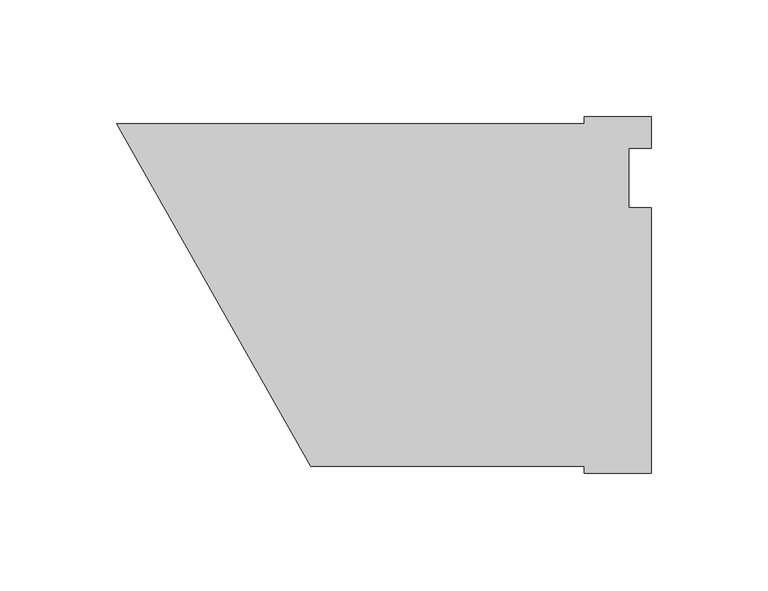
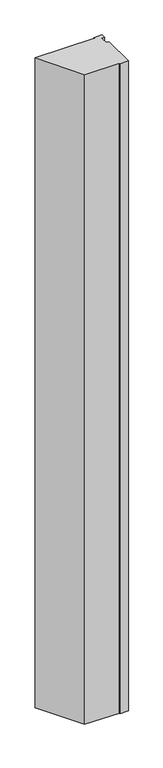
"""IFC4 building model written with IfcOpenShell, lengths in millimetres: proxy geometry."""

from ifc_helpers import new_model, si_unit, frame, origin, place, context, project, spatial, polyline, outline, extrude, source, transform, mapped, element, save


def specialty_equipment_caa817d7(model_context):
    return source(origin(), model_context, "Body", "SweptSolid", [
        extrude(outline(polyline([(228.6, 26.19375), (228.6, 12.7), (219.075, 12.7), (219.075, -12.7), (228.6, -12.7), (228.6, -126.20625), (200.0711005, -126.20625), (200.0711005, -123.34875), (82.99038, -123.34875), (0.0, 23.33625), (199.9581978, 23.33625), (199.9581978, 26.19375), (228.6, 26.19375)])), frame((0.0, 0.0, 63.5), z_axis=(0.0, 0.0, 1.0), x_axis=(1.0, 0.0, 0.0)), (0.0, 0.0, 1.0), 2324.1),
    ])


if __name__ == "__main__":
    model = new_model("IFC4")
    model_context = context("Model", 3, world=origin())
    ifc_project = project(units=[si_unit("LENGTHUNIT", "METRE", prefix="MILLI")], contexts=[model_context])
    site = spatial("IfcSite", under=ifc_project)
    building = spatial("IfcBuilding", under=site)
    placement = place(None, origin())
    specialty_equipment_shape = specialty_equipment_caa817d7(model_context)
    element("IfcBuildingElementProxy", 1, Name="Specialty Equipment", at=placement, inside=building, context=model_context, shape_type="MappedRepresentation", body=[
        mapped(specialty_equipment_shape, transform((0.0, 0.0, 0.0), x_axis=(1.0, 0.0, 0.0), y_axis=(0.0, 1.0, 0.0), z_axis=(0.0, 0.0, 1.0))),
    ])
    save(model, "model.ifc")
